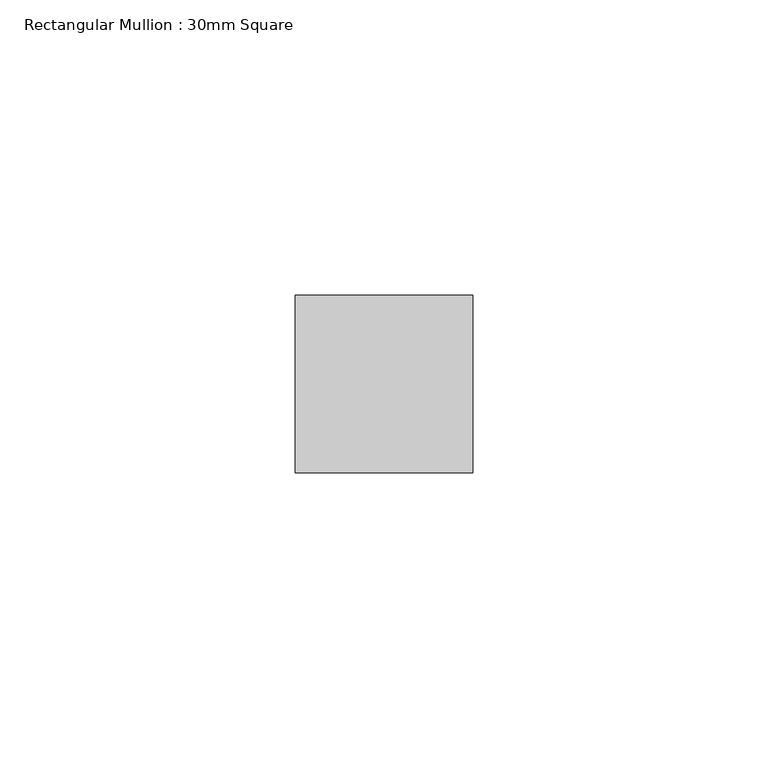
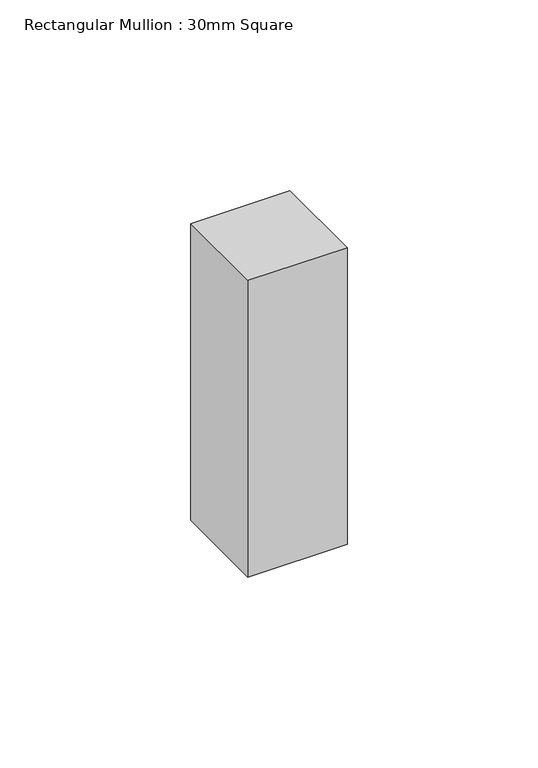
"""IFC4 building model written with IfcOpenShell, lengths in millimetres: member geometry, Rectangular Mullion : 30mm Square."""

from ifc_helpers import new_model, si_unit, frame, origin, place, context, project, spatial, polyline, outline, extrude, source, transform, mapped, element, save


def rectangular_mullion_30mm_square_e2706f78(model_context):
    return source(origin(), model_context, "Body", "SweptSolid", [
        extrude(outline(polyline([(15.0, 15.0), (15.0, -15.0), (-15.0, -15.0), (-15.0, 15.0), (15.0, 15.0)])), frame((0.0, 0.0, -95.0), z_axis=(0.0, 0.0, 1.0), x_axis=(1.0, 0.0, 0.0)), (0.0, 0.0, 1.0), 95.0),
    ])


if __name__ == "__main__":
    model = new_model("IFC4")
    model_context = context("Model", 3, world=origin())
    ifc_project = project(units=[si_unit("LENGTHUNIT", "METRE", prefix="MILLI")], contexts=[model_context])
    site = spatial("IfcSite", under=ifc_project)
    building = spatial("IfcBuilding", under=site)
    placement = place(None, origin())
    rectangular_mullion_30mm_square_shape = rectangular_mullion_30mm_square_e2706f78(model_context)
    element("IfcMember", 1, ObjectType="Rectangular Mullion : 30mm Square", at=placement, inside=building, context=model_context, shape_type="MappedRepresentation", body=[
        mapped(rectangular_mullion_30mm_square_shape, transform((0.0, 0.0, 0.0), x_axis=(1.0, 0.0, 0.0), y_axis=(0.0, 1.0, 0.0), z_axis=(0.0, 0.0, 1.0))),
    ])
    save(model, "model.ifc")
